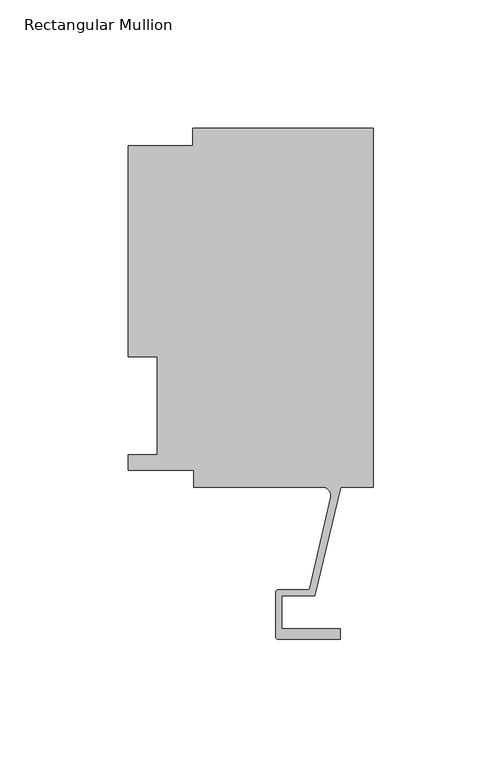
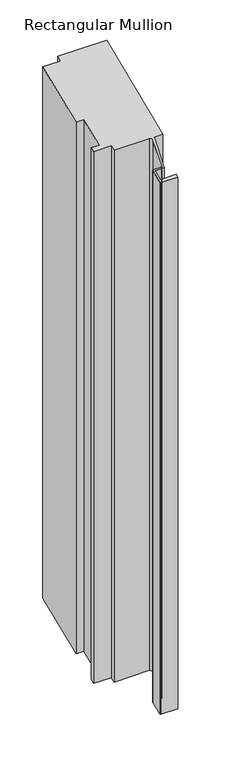
"""IFC4 building model written with IfcOpenShell, lengths in millimetres: member geometry, Rectangular Mullion."""

from ifc_helpers import new_model, si_unit, frame, origin, place, context, project, spatial, polyline, ellipse_curve, source, transform, mapped, element, save
from ifc_brep_helpers import plane_surface, cylinder_surface, revolved_surface, advanced_brep


def rectangular_mullion_cc7f1e14(model_context):
    return source(origin(), model_context, "Body", "AdvancedBrep", [
        advanced_brep(
        [(-70.3072, 133.3497673, 55.2352822), (0.0, 133.3497673, 55.2352822), (0.0, 133.3497673, -750.8295783), (-70.3072, 133.3497673, -750.8295783), (-70.3072, 126.6189003, 52.4472658), (-70.3072, 126.6189003, -753.6175948), (-95.25, 126.6189003, 52.4472658), (-95.25, 126.6189003, -753.6175948), (-95.25, 44.45, 18.4117928), (-95.25, 44.45, -787.6530677), (-84.1375, 44.45, 18.4117928), (-84.1375, 44.45, -787.6530677), (-84.1375, 6.35, 2.6302561), (-84.1375, 6.35, -803.4346044), (-95.25, 6.35, 2.6302561), (-95.25, 6.35, -803.4346044), (-95.25, 0.4063003, 0.1682951), (-95.25, 0.4063003, -805.8965654), (-69.85, 0.4063003, 0.1682951), (-69.85, 0.4063003, -805.8965654), (-69.85, -6.2261976, -2.5789755), (-69.85, -6.2261976, -808.643836), (-19.681515, -6.2261976, -2.5789755), (-19.681515, -6.2261976, -808.643836), (-16.585275, -10.1039944, -4.1852115), (-16.585275, -10.1039944, -810.250072), (-24.6514289, -45.6402261, -18.9048006), (-24.6514289, -45.6402261, -824.9696612), (-25.3893173, -46.2120559, -19.1416603), (-25.3893173, -46.2120559, -825.2065208), (-37.0958677, -46.2120559, -19.1416603), (-37.0958677, -46.2120559, -825.2065208), (-37.8578677, -46.9740559, -19.457291), (-37.8578677, -46.9740559, -825.5221515), (-37.8578677, -64.6066974, -26.7609703), (-37.8578677, -64.6066974, -832.8258308), (-37.0704677, -65.3940974, -27.087122), (-37.0704677, -65.3940974, -833.1519826), (-12.7611926, -65.3940974, -27.087122), (-12.7611926, -65.3940974, -833.1519826), (-12.7611926, -61.4062974, -25.4353212), (-12.7611926, -61.4062974, -831.5001817), (-35.5718677, -61.4062974, -25.4353212), (-35.5718677, -61.4062974, -831.5001817), (-35.5718677, -48.4980559, -20.0885525), (-35.5718677, -48.4980559, -826.153413), (-22.7594087, -48.4980559, -20.0885525), (-22.7594087, -48.4980559, -826.153413), (-12.7, -6.2261964, -2.578975), (-12.7, -6.2261964, -808.6438355), (0.0, -6.2261964, -2.578975), (0.0, -6.2261964, -808.6438355)],
        [
            (0, 1),
            (1, 2),
            (2, 3),
            (3, 0),
            (4, 0),
            (3, 5),
            (5, 4),
            (6, 4),
            (5, 7),
            (7, 6),
            (8, 6),
            (7, 9),
            (9, 8),
            (10, 8),
            (9, 11),
            (11, 10),
            (12, 10),
            (11, 13),
            (13, 12),
            (14, 12),
            (13, 15),
            (15, 14),
            (16, 14),
            (15, 17),
            (17, 16),
            (18, 16),
            (17, 19),
            (19, 18),
            (20, 18),
            (19, 21),
            (21, 20),
            (22, 20),
            (21, 23),
            (23, 22),
            (24, 22, ellipse_curve(frame((-19.681515, -9.4011976, -3.8941036), z_axis=(0.0, -0.3826834323650894, 0.923879532511287), x_axis=(0.0, -0.9238795325112871, -0.3826834323650891)), 3.4365952, 3.175)),
            (23, 25, ellipse_curve(frame((-19.681515, -9.4011976, -809.9589641), z_axis=(0.0, 0.3826834323650896, -0.9238795325112868), x_axis=(0.0, -0.9238795325112868, -0.3826834323650894)), 3.4365952, 3.175)),
            (25, 24),
            (26, 24),
            (25, 27),
            (27, 26),
            (28, 26, ellipse_curve(frame((-25.3679884, -45.4775786, -18.8374298), z_axis=(0.0, -0.3826834323650894, 0.923879532511287), x_axis=(0.0, -0.9238795325112871, -0.3826834323650891)), 0.7953276, 0.7347869)),
            (27, 29, ellipse_curve(frame((-25.3679884, -45.4775786, -824.9022904), z_axis=(0.0, 0.3826834323650896, -0.9238795325112868), x_axis=(0.0, -0.9238795325112868, -0.3826834323650894)), 0.7953276, 0.7347869)),
            (29, 28),
            (30, 28),
            (29, 31),
            (31, 30),
            (32, 30, ellipse_curve(frame((-37.0958677, -46.9740559, -19.457291), z_axis=(0.0, 0.3826834323650894, -0.923879532511287), x_axis=(0.0, 0.9238795325112871, 0.3826834323650891)), 0.8247829, 0.762)),
            (31, 33, ellipse_curve(frame((-37.0958677, -46.9740559, -825.5221515), z_axis=(0.0, -0.3826834323650896, 0.9238795325112868), x_axis=(0.0, 0.9238795325112868, 0.3826834323650894)), 0.8247829, 0.762)),
            (33, 32),
            (34, 32),
            (33, 35),
            (35, 34),
            (36, 34, ellipse_curve(frame((-37.0704677, -64.6066974, -26.7609703), z_axis=(0.0, 0.3826834323650894, -0.923879532511287), x_axis=(0.0, 0.9238795325112871, 0.3826834323650891)), 0.8522756, 0.7874)),
            (35, 37, ellipse_curve(frame((-37.0704677, -64.6066974, -832.8258308), z_axis=(0.0, -0.3826834323650896, 0.9238795325112868), x_axis=(0.0, 0.9238795325112868, 0.3826834323650894)), 0.8522756, 0.7874)),
            (37, 36),
            (38, 36),
            (37, 39),
            (39, 38),
            (40, 38),
            (39, 41),
            (41, 40),
            (42, 40),
            (41, 43),
            (43, 42),
            (44, 42),
            (43, 45),
            (45, 44),
            (46, 44),
            (45, 47),
            (47, 46),
            (48, 46),
            (47, 49),
            (49, 48),
            (50, 48),
            (49, 51),
            (51, 50),
            (1, 50),
            (51, 2),
        ],
        [
            plane_surface(frame((0.0, 133.3497673, 0.0), z_axis=(0.0, 1.0, 0.0), x_axis=(0.0, 0.0, -1.0))),
            plane_surface(frame((-70.3072, 133.3497673, 0.0), z_axis=(-1.0, 0.0, 0.0), x_axis=(0.0, 0.0, -1.0))),
            plane_surface(frame((-70.3072, 126.6189003, 0.0), z_axis=(0.0, 1.0, 0.0), x_axis=(0.0, 0.0, -1.0))),
            plane_surface(frame((-95.25, 126.6189003, 0.0), z_axis=(-1.0, 0.0, 0.0), x_axis=(0.0, 0.0, -1.0))),
            plane_surface(frame((-95.25, 44.45, 0.0), z_axis=(0.0, -1.0, 0.0), x_axis=(0.0, 0.0, -1.0))),
            plane_surface(frame((-84.1375, 44.45, 0.0), z_axis=(-1.0, 0.0, 0.0), x_axis=(0.0, 0.0, -1.0))),
            plane_surface(frame((-84.1375, 6.35, 0.0), z_axis=(0.0, 1.0, 0.0), x_axis=(0.0, 0.0, -1.0))),
            plane_surface(frame((-95.25, 6.35, 0.0), z_axis=(-1.0, 0.0, 0.0), x_axis=(0.0, 0.0, -1.0))),
            plane_surface(frame((-95.25, 0.4063003, 0.0), z_axis=(0.0, -1.0, 0.0), x_axis=(0.0, 0.0, -1.0))),
            plane_surface(frame((-69.85, 0.4063003, 0.0), z_axis=(-1.0, 0.0, 0.0), x_axis=(0.0, 0.0, -1.0))),
            plane_surface(frame((-69.85, -6.2261976, 0.0), z_axis=(0.0, -1.0, 0.0), x_axis=(0.0, 0.0, -1.0))),
            revolved_surface(polyline([(-19.681515, -6.2261976, -811.2740921467854), (-19.681515, -6.2261976, -2.5789755)]), (-19.681515, -9.4011976, 0.0), (0.0, 0.0, -1.0)),
            plane_surface(frame((-16.585275, -10.1039944, 0.0), z_axis=(-0.9751936808086197, 0.2213533033657647, 0.0), x_axis=(0.0, 0.0, -1.0))),
            revolved_surface(polyline([(-25.3679884, -44.7427917, -825.2066490958226), (-25.3679884, -44.7427917, -18.53307110417731)]), (-25.3679884, -45.4775786, 0.0), (0.0, 0.0, -1.0)),
            plane_surface(frame((-25.3893173, -46.2120559, 0.0), z_axis=(0.0, 1.0, 0.0), x_axis=(0.0, 0.0, -1.0))),
            cylinder_surface(frame((-37.0958677, -46.9740559, 0.0), z_axis=(0.0, 0.0, 1.0), x_axis=(0.0, 1.0, 0.0)), 0.762),
            plane_surface(frame((-37.8578677, -46.9740559, 0.0), z_axis=(-1.0, 0.0, 0.0), x_axis=(0.0, 0.0, -1.0))),
            cylinder_surface(frame((-37.0704677, -64.6066974, 0.0), z_axis=(0.0, 0.0, 1.0), x_axis=(0.0, 1.0, 0.0)), 0.7874),
            plane_surface(frame((-37.0704677, -65.3940974, 0.0), z_axis=(0.0, -1.0, 0.0), x_axis=(0.0, 0.0, -1.0))),
            plane_surface(frame((-12.7611926, -65.3940974, 0.0), z_axis=(1.0, 0.0, 0.0), x_axis=(0.0, 0.0, -1.0))),
            plane_surface(frame((-12.7611926, -61.4062974, 0.0), z_axis=(0.0, 1.0, 0.0), x_axis=(0.0, 0.0, -1.0))),
            plane_surface(frame((-35.5718677, -61.4062974, 0.0), z_axis=(1.0, 0.0, 0.0), x_axis=(0.0, 0.0, -1.0))),
            plane_surface(frame((-35.5718677, -48.4980559, 0.0), z_axis=(0.0, -1.0, 0.0), x_axis=(0.0, 0.0, -1.0))),
            plane_surface(frame((-22.7594087, -48.4980559, 0.0), z_axis=(0.9728337932070832, -0.23150466689533117, 0.0), x_axis=(0.0, 0.0, -1.0))),
            plane_surface(frame((-12.7, -6.2261964, 0.0), z_axis=(0.0, -1.0, 0.0), x_axis=(0.0, 0.0, -1.0))),
            plane_surface(frame((0.0, -6.2261964, 0.0), z_axis=(1.0, 0.0, 0.0), x_axis=(0.0, 0.0, -1.0))),
            plane_surface(frame((304.8, 0.0, 0.0), z_axis=(0.0, -0.3826834323650894, 0.923879532511287), x_axis=(0.0, -0.923879532511287, -0.3826834323650894))),
            plane_surface(frame((-304.8, 0.0, -806.0648605), z_axis=(0.0, 0.3826834323650896, -0.9238795325112868), x_axis=(0.0, 0.9238795325112868, 0.3826834323650896))),
        ],
        [
            (0, [[1, 2, 3, 4]]),
            (1, [[5, -4, 6, 7]]),
            (2, [[8, -7, 9, 10]]),
            (3, [[11, -10, 12, 13]]),
            (4, [[14, -13, 15, 16]]),
            (5, [[17, -16, 18, 19]]),
            (6, [[20, -19, 21, 22]]),
            (7, [[23, -22, 24, 25]]),
            (8, [[26, -25, 27, 28]]),
            (9, [[29, -28, 30, 31]]),
            (10, [[32, -31, 33, 34]]),
            (11, [[35, -34, 36, 37]]),
            (12, [[38, -37, 39, 40]]),
            (13, [[41, -40, 42, 43]]),
            (14, [[44, -43, 45, 46]]),
            (15, [[47, -46, 48, 49]]),
            (16, [[50, -49, 51, 52]]),
            (17, [[53, -52, 54, 55]]),
            (18, [[56, -55, 57, 58]]),
            (19, [[59, -58, 60, 61]]),
            (20, [[62, -61, 63, 64]]),
            (21, [[65, -64, 66, 67]]),
            (22, [[68, -67, 69, 70]]),
            (23, [[71, -70, 72, 73]]),
            (24, [[74, -73, 75, 76]]),
            (25, [[77, -76, 78, -2]]),
            (26, [[-5, -8, -11, -14, -17, -20, -23, -26, -29, -32, -35, -38, -41, -44, -47, -50, -53, -56, -59, -62, -65, -68, -71, -74, -77, -1]]),
            (27, [[-3, -78, -75, -72, -69, -66, -63, -60, -57, -54, -51, -48, -45, -42, -39, -36, -33, -30, -27, -24, -21, -18, -15, -12, -9, -6]]),
        ],
    ),
    ])


if __name__ == "__main__":
    model = new_model("IFC4")
    model_context = context("Model", 3, world=origin())
    ifc_project = project(units=[si_unit("LENGTHUNIT", "METRE", prefix="MILLI")], contexts=[model_context])
    site = spatial("IfcSite", under=ifc_project)
    building = spatial("IfcBuilding", under=site)
    placement = place(None, origin())
    rectangular_mullion_shape = rectangular_mullion_cc7f1e14(model_context)
    element("IfcMember", 1, ObjectType="Rectangular Mullion", at=placement, inside=building, context=model_context, shape_type="MappedRepresentation", body=[
        mapped(rectangular_mullion_shape, transform((0.0, 0.0, 0.0), x_axis=(1.0, 0.0, 0.0), y_axis=(0.0, 1.0, 0.0), z_axis=(0.0, 0.0, 1.0))),
    ])
    save(model, "model.ifc")
